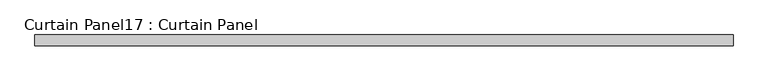
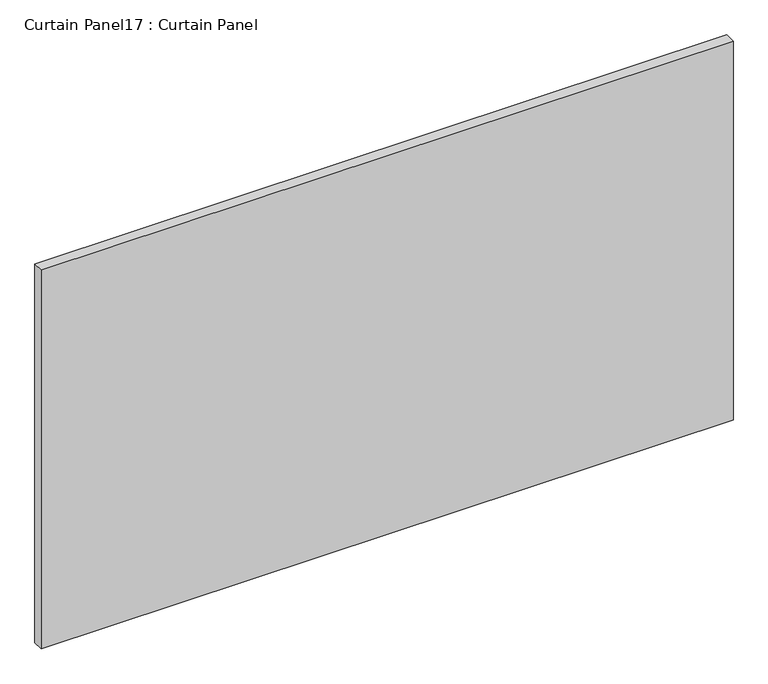
"""IFC4 building model written with IfcOpenShell, lengths in millimetres: plate geometry, Curtain Panel17 : Curtain Panel."""

from ifc_helpers import new_model, si_unit, frame, origin, place, context, project, spatial, polyline, outline, extrude, source, transform, mapped, element, save


def curtain_panel17_curtain_panel_8886b3da(model_context):
    return source(origin(), model_context, "Body", "SweptSolid", [
        extrude(outline(polyline([(-273786.80008, -548.7308511), (-275431.6486168, -548.7308511), (-275431.6486168, -523.3308511), (-273786.80008, -523.3308511), (-273786.80008, -548.7308511)])), frame((0.0, 0.0, -1092.1151813), z_axis=(0.0, 0.0, 1.0), x_axis=(1.0, 0.0, 0.0)), (0.0, 0.0, 1.0), 952.4151808),
    ])


if __name__ == "__main__":
    model = new_model("IFC4")
    model_context = context("Model", 3, world=origin())
    ifc_project = project(units=[si_unit("LENGTHUNIT", "METRE", prefix="MILLI")], contexts=[model_context])
    site = spatial("IfcSite", under=ifc_project)
    building = spatial("IfcBuilding", under=site)
    placement = place(None, origin())
    curtain_panel17_curtain_panel_shape = curtain_panel17_curtain_panel_8886b3da(model_context)
    element("IfcPlate", 1, ObjectType="Curtain Panel17 : Curtain Panel", at=placement, inside=building, context=model_context, shape_type="MappedRepresentation", body=[
        mapped(curtain_panel17_curtain_panel_shape, transform((0.0, 0.0, 0.0), x_axis=(1.0, 0.0, 0.0), y_axis=(0.0, 1.0, 0.0), z_axis=(0.0, 0.0, 1.0))),
    ])
    save(model, "model.ifc")
